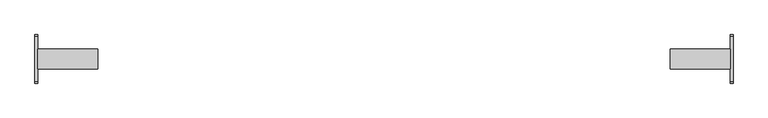
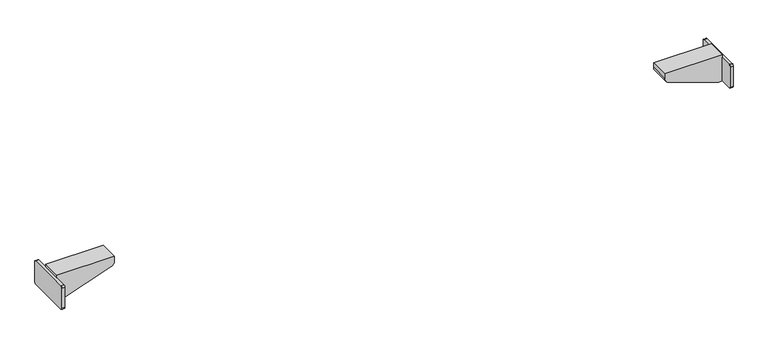
"""IFC4 building model written with IfcOpenShell, lengths in millimetres: furniture geometry."""

from ifc_helpers import new_model, si_unit, point, frame, frame_2d, origin, place, context, project, spatial, polyline, circle_curve, trimmed, segment, composite_curve, outline, extrude, source, transform, mapped, element, save
from ifc_brep_helpers import plane_surface, cylinder_surface, advanced_brep


def furniture_d7ab2963(model_context):
    return source(origin(), model_context, "Body", "SolidModel", [
        extrude(outline(composite_curve([segment(trimmed(circle_curve(frame_2d((39.4809876, 521.7409876)), 3.0190124), [point((39.4809876, 524.76))], [point((42.5, 521.7409876))], False, "CARTESIAN"), True, "CONTINUOUS"), segment(polyline([(42.5, 521.7409876), (42.5, 482.9866625)]), True, "CONTINUOUS"), segment(trimmed(circle_curve(frame_2d((39.5133375, 482.9866625)), 2.9866625), [point((42.5, 482.9866625))], [point((39.5133375, 480.0))], False, "CARTESIAN"), True, "CONTINUOUS"), segment(polyline([(39.5133375, 480.0), (-39.4675388, 480.0)]), True, "CONTINUOUS"), segment(trimmed(circle_curve(frame_2d((-39.4675388, 483.0324612)), 3.0324612), [point((-39.4675388, 480.0))], [point((-42.5, 483.0324612))], False, "CARTESIAN"), True, "CONTINUOUS"), segment(polyline([(-42.5, 483.0324612), (-42.5, 521.76)]), True, "CONTINUOUS"), segment(trimmed(circle_curve(frame_2d((-39.5, 521.76)), 3.0), [point((-42.5, 521.76))], [point((-39.5, 524.76))], False, "CARTESIAN"), True, "CONTINUOUS"), segment(polyline([(-39.5, 524.76), (39.4809876, 524.76)]), True, "CONTINUOUS")], self_intersect=False)), frame((604.7599968, 0.0, 0.0), z_axis=(1.0, 0.0, 0.0), x_axis=(0.0, 1.0, 0.0)), (0.0, 0.0, 1.0), 5.24),
        extrude(outline(composite_curve([segment(polyline([(511.6677828, 506.7222698), (480.0, 597.9999968), (480.0, 604.7599968), (530.0, 604.7599968), (530.0, 499.9999968), (521.115349, 499.9999968)]), True, "CONTINUOUS"), segment(trimmed(circle_curve(frame_2d((521.115349, 509.9999968)), 10.0), [point((521.115349, 499.9999968))], [point((511.6677828, 506.7222698))], False, "CARTESIAN"), True, "CONTINUOUS")], self_intersect=False)), frame((0.0, -17.5, 0.0), z_axis=(0.0, 1.0, 0.0), x_axis=(0.0, 0.0, 1.0)), (0.0, 0.0, 1.0), 35.0),
        advanced_brep(
        [(-506.7222698, -17.5, 511.6677828), (-499.9999968, -17.5, 521.115349), (-499.9999968, -17.5, 530.0), (-604.7599968, -17.5, 530.0), (-604.7599968, -17.5, 524.76), (-604.7599968, -17.5, 480.0), (-597.9999968, -17.5, 480.0), (-506.7222698, 17.5, 511.6677828), (-597.9999968, 17.5, 480.0), (-604.7599968, 17.5, 480.0), (-604.7599968, 17.5, 524.76), (-604.7599968, 17.5, 530.0), (-499.9999968, 17.5, 530.0), (-499.9999968, 17.5, 521.115349), (-604.7599968, -39.4675388, 480.0), (-609.9999968, -39.4675388, 480.0), (-609.9999968, 39.5133375, 480.0), (-604.7599968, 39.5133375, 480.0), (-604.7599968, -39.5, 524.76), (-604.7599968, -42.5, 521.76), (-604.7599968, -42.5, 483.0324612), (-604.7599968, 42.5, 482.9866625), (-604.7599968, 42.5, 521.7409876), (-604.7599968, 39.4809876, 524.76), (-609.9999968, 39.4809876, 524.76), (-609.9999968, 42.5, 521.7409876), (-609.9999968, 42.5, 482.9866625), (-609.9999968, -42.5, 483.0324612), (-609.9999968, -42.5, 521.76), (-609.9999968, -39.5, 524.76)],
        [
            (0, 1, circle_curve(frame((-509.9999968, -17.5, 521.115349), z_axis=(0.0, -1.0, 0.0), x_axis=(1.0, 0.0, 0.0)), 10.0)),
            (1, 2),
            (2, 3),
            (3, 4),
            (4, 5),
            (5, 6),
            (6, 0),
            (7, 8),
            (8, 9),
            (9, 10),
            (10, 11),
            (11, 12),
            (12, 13),
            (13, 7, circle_curve(frame((-509.9999968, 17.5, 521.115349), z_axis=(0.0, 1.0, 0.0), x_axis=(1.0, 0.0, 0.0)), 10.0)),
            (0, 7),
            (13, 1),
            (12, 2),
            (11, 3),
            (10, 4),
            (5, 14),
            (14, 15),
            (15, 16),
            (16, 17),
            (17, 9),
            (8, 6),
            (18, 19, circle_curve(frame((-604.7599968, -39.5, 521.76), z_axis=(1.0, 0.0, 0.0), x_axis=(0.0, 1.0, 0.0)), 3.0)),
            (19, 20),
            (20, 14, circle_curve(frame((-604.7599968, -39.4675388, 483.0324612), z_axis=(1.0, 0.0, 0.0), x_axis=(0.0, 1.0, 0.0)), 3.0324612)),
            (4, 18),
            (17, 21, circle_curve(frame((-604.7599968, 39.5133375, 482.9866625), z_axis=(1.0, 0.0, 0.0), x_axis=(0.0, 1.0, 0.0)), 2.9866625)),
            (21, 22),
            (22, 23, circle_curve(frame((-604.7599968, 39.4809876, 521.7409876), z_axis=(1.0, 0.0, 0.0), x_axis=(0.0, 1.0, 0.0)), 3.0190124)),
            (23, 10),
            (24, 25, circle_curve(frame((-609.9999968, 39.4809876, 521.7409876), z_axis=(-1.0, 0.0, 0.0), x_axis=(0.0, 1.0, 0.0)), 3.0190124)),
            (25, 26),
            (26, 16, circle_curve(frame((-609.9999968, 39.5133375, 482.9866625), z_axis=(-1.0, 0.0, 0.0), x_axis=(0.0, 1.0, 0.0)), 2.9866625)),
            (15, 27, circle_curve(frame((-609.9999968, -39.4675388, 483.0324612), z_axis=(-1.0, 0.0, 0.0), x_axis=(0.0, 1.0, 0.0)), 3.0324612)),
            (27, 28),
            (28, 29, circle_curve(frame((-609.9999968, -39.5, 521.76), z_axis=(-1.0, 0.0, 0.0), x_axis=(0.0, 1.0, 0.0)), 3.0)),
            (29, 24),
            (29, 18),
            (23, 24),
            (28, 19),
            (27, 20),
            (26, 21),
            (25, 22),
        ],
        [
            plane_surface(frame((-499.9999968, -17.5, 521.115349), z_axis=(0.0, -1.0, 0.0), x_axis=(0.0, 0.0, 1.0))),
            plane_surface(frame((-499.9999968, 17.5, 521.115349), z_axis=(0.0, 1.0, 0.0), x_axis=(0.0, 0.0, -1.0))),
            cylinder_surface(frame((-509.9999968, 17.5, 521.115349), z_axis=(0.0, -1.0, 0.0), x_axis=(1.0, 0.0, 0.0)), 10.0),
            plane_surface(frame((-499.9999968, -17.5, 521.115349), z_axis=(1.0, 0.0, 0.0), x_axis=(0.0, 1.0, 0.0))),
            plane_surface(frame((-499.9999968, -17.5, 530.0), z_axis=(0.0, 0.0, 1.0), x_axis=(0.0, 1.0, 0.0))),
            plane_surface(frame((-604.7599968, -17.5, 530.0), z_axis=(-1.0, 0.0, 0.0), x_axis=(0.0, 1.0, 0.0))),
            plane_surface(frame((-604.7599968, -17.5, 480.0), z_axis=(0.0, 0.0, -1.0), x_axis=(0.0, 1.0, 0.0))),
            plane_surface(frame((-597.9999968, -17.5, 480.0), z_axis=(0.32777270209389775, 0.0, -0.9447566119176224), x_axis=(0.0, 1.0, 0.0))),
            plane_surface(frame((-604.7599968, -39.5, 524.76), z_axis=(1.0, 0.0, 0.0), x_axis=(0.0, -1.0, 0.0))),
            plane_surface(frame((-609.9999968, -39.5, 524.76), z_axis=(-1.0, 0.0, 0.0), x_axis=(0.0, 1.0, 0.0))),
            plane_surface(frame((-604.7599968, 39.4809876, 524.76), z_axis=(0.0, 0.0, 1.0), x_axis=(-1.0, 0.0, 0.0))),
            cylinder_surface(frame((-609.9999968, -39.5, 521.76), z_axis=(1.0, 0.0, 0.0), x_axis=(0.0, 1.0, 0.0)), 3.0),
            plane_surface(frame((-604.7599968, -42.5, 521.76), z_axis=(0.0, -1.0, 0.0), x_axis=(-1.0, 0.0, 0.0))),
            cylinder_surface(frame((-609.9999968, -39.4675388, 483.0324612), z_axis=(1.0, 0.0, 0.0), x_axis=(0.0, 1.0, 0.0)), 3.0324612),
            cylinder_surface(frame((-609.9999968, 39.5133375, 482.9866625), z_axis=(1.0, 0.0, 0.0), x_axis=(0.0, 1.0, 0.0)), 2.9866625),
            plane_surface(frame((-604.7599968, 42.5, 482.9866625), z_axis=(0.0, 1.0, 0.0), x_axis=(-1.0, 0.0, 0.0))),
            cylinder_surface(frame((-609.9999968, 39.4809876, 521.7409876), z_axis=(1.0, 0.0, 0.0), x_axis=(0.0, 1.0, 0.0)), 3.0190124),
        ],
        [
            (0, [[1, 2, 3, 4, 5, 6, 7]]),
            (1, [[8, 9, 10, 11, 12, 13, 14]]),
            (2, [[-1, 15, -14, 16]]),
            (3, [[-2, -16, -13, 17]]),
            (4, [[-3, -17, -12, 18]]),
            (5, [[-18, -11, 19, -4]]),
            (6, [[-6, 20, 21, 22, 23, 24, -9, 25]]),
            (7, [[-7, -25, -8, -15]]),
            (8, [[26, 27, 28, -20, -5, 29]]),
            (8, [[30, 31, 32, 33, -10, -24]]),
            (9, [[34, 35, 36, -22, 37, 38, 39, 40]]),
            (10, [[-40, 41, -29, -19, -33, 42]]),
            (11, [[-26, -41, -39, 43]]),
            (12, [[-27, -43, -38, 44]]),
            (13, [[-28, -44, -37, -21]]),
            (14, [[-30, -23, -36, 45]]),
            (15, [[-31, -45, -35, 46]]),
            (16, [[-32, -46, -34, -42]]),
        ],
    ),
    ])


if __name__ == "__main__":
    model = new_model("IFC4")
    model_context = context("Model", 3, world=origin())
    ifc_project = project(units=[si_unit("LENGTHUNIT", "METRE", prefix="MILLI")], contexts=[model_context])
    site = spatial("IfcSite", under=ifc_project)
    building = spatial("IfcBuilding", under=site)
    placement = place(None, origin())
    furniture_shape = furniture_d7ab2963(model_context)
    element("IfcFurniture", 1, at=placement, inside=building, context=model_context, shape_type="MappedRepresentation", body=[
        mapped(furniture_shape, transform((0.0, 0.0, 0.0), x_axis=(1.0, 0.0, 0.0), y_axis=(0.0, 1.0, 0.0), z_axis=(0.0, 0.0, 1.0))),
    ])
    save(model, "model.ifc")
